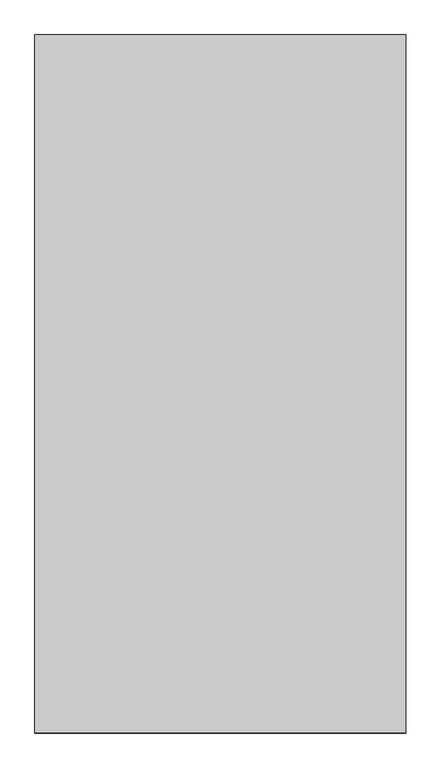
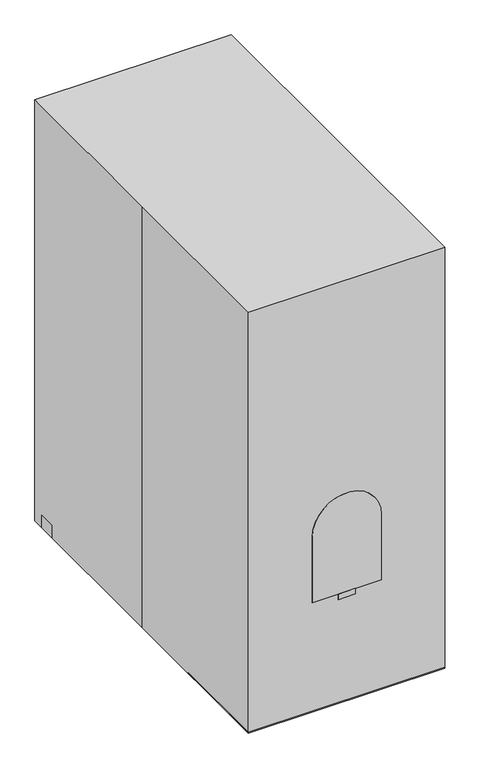
"""IFC4 building model written with IfcOpenShell, lengths in millimetres: proxy geometry."""

import ifcopenshell
import ifcopenshell.guid

model = None  # the IFC model being written
_history = None  # IfcOwnerHistory: only IFC2X3 demands one
_inside = {}  # id of a spatial element -> (the spatial element, [elements in it])
_under = {}  # id of a project, library or spatial element -> (it, [spatial elements below it])
_declared = {}  # id of a project -> (the project, [libraries it declares])
_typed = {}  # id of a type object -> (the type object, [elements of that type])
_made_of = {}  # id of a material, layer set ... -> (it, [elements and type objects made of it])


def new_model(schema):
    """Start an empty IFC model of exactly this schema.

    Asked for "IFC4X3", IfcOpenShell would pick the latest addendum, in which some entities
    have other attributes; the version numbers below select the first issue.
    IFC2X3 requires an IfcOwnerHistory on every rooted entity: one is made here for all.
    """
    global model, _history
    if schema == "IFC4X3":
        model = ifcopenshell.file(schema_version=(4, 3, 0, 0))
    else:
        model = ifcopenshell.file(schema=schema)
    _inside.clear()
    _under.clear()
    _declared.clear()
    _typed.clear()
    _made_of.clear()
    _history = None
    if model.schema == "IFC2X3":
        org = make("IfcOrganization", Name="unknown")
        user = make(
            "IfcPersonAndOrganization",
            ThePerson=make("IfcPerson", FamilyName="unknown"),
            TheOrganization=org,
        )
        app = make(
            "IfcApplication",
            ApplicationDeveloper=org,
            Version="unknown",
            ApplicationFullName="unknown",
            ApplicationIdentifier="unknown",
        )
        _history = make(
            "IfcOwnerHistory",
            OwningUser=user,
            OwningApplication=app,
            ChangeAction="ADDED",
            CreationDate=0,
        )
    return model


def make(cls, **values):
    """One entity of the class cls with the attributes given. An attribute that is None is left unset."""
    return model.create_entity(
        cls, **{name: value for name, value in values.items() if value is not None}
    )


def rooted(cls, **values):
    """An entity with a GlobalId (a new one), such as an element, a storey or a relation."""
    return make(cls, GlobalId=ifcopenshell.guid.new(), OwnerHistory=_history, **values)


def si_unit(unit_type, name, prefix=None):
    """IfcSIUnit, for example si_unit("LENGTHUNIT", "METRE", prefix="MILLI")."""
    return make("IfcSIUnit", UnitType=unit_type, Prefix=prefix, Name=name)


def assignment(units):
    """IfcUnitAssignment: the units of a project."""
    return None if units is None else make("IfcUnitAssignment", Units=units)


def point(xyz):
    """IfcCartesianPoint."""
    return None if xyz is None else make("IfcCartesianPoint", Coordinates=xyz)


def direction(xyz):
    """IfcDirection."""
    return None if xyz is None else make("IfcDirection", DirectionRatios=xyz)


def frame(location, z_axis=None, x_axis=None):
    """IfcAxis2Placement3D, a coordinate frame: its origin and axes. An axis left out is left unset."""
    return make(
        "IfcAxis2Placement3D",
        Location=point(location),
        Axis=direction(z_axis),
        RefDirection=direction(x_axis),
    )


def frame_2d(location, x_axis=None):
    """IfcAxis2Placement2D, a coordinate frame in the plane: its origin and x axis."""
    return make(
        "IfcAxis2Placement2D", Location=point(location), RefDirection=direction(x_axis)
    )


def origin():
    """The frame at (0, 0, 0) with its axes left unset."""
    return frame((0.0, 0.0, 0.0))


def origin_with_axes():
    """The frame at (0, 0, 0) with the z axis (0, 0, 1) and the x axis (1, 0, 0) written out."""
    return frame((0.0, 0.0, 0.0), z_axis=(0.0, 0.0, 1.0), x_axis=(1.0, 0.0, 0.0))


def place(relative_to, where):
    """IfcLocalPlacement: puts the frame where relative to a parent placement (None: the world)."""
    return make(
        "IfcLocalPlacement", PlacementRelTo=relative_to, RelativePlacement=where
    )


def context(
    kind, dimensions, precision=None, world=None, true_north=None, identifier=None
):
    """IfcGeometricRepresentationContext, for example the 3D "Model" context."""
    return make(
        "IfcGeometricRepresentationContext",
        ContextIdentifier=identifier,
        ContextType=kind,
        CoordinateSpaceDimension=dimensions,
        Precision=precision,
        WorldCoordinateSystem=world,
        TrueNorth=true_north,
    )


def project(units=None, contexts=None):
    """IfcProject with its units and contexts."""
    return rooted(
        "IfcProject",
        Name="project",
        RepresentationContexts=contexts,
        UnitsInContext=assignment(units),
    )


def spatial(cls, under=None, at=None, **own):
    """A site, building, storey or space (cls), placed at a placement, below another one or the project."""
    s = rooted(cls, ObjectPlacement=at, **own)
    if under is not None:
        _under.setdefault(under.id(), (under, []))[1].append(s)
    return s


def polyline(points):
    """IfcPolyline through the points."""
    return make("IfcPolyline", Points=[point(p) for p in points])


def circle_curve(where, radius):
    """IfcCircle in the frame where."""
    return make("IfcCircle", Position=where, Radius=radius)


def trimmed(basis, trim1, trim2, sense, master):
    """IfcTrimmedCurve: the piece of a basis curve between two trims."""
    return make(
        "IfcTrimmedCurve",
        BasisCurve=basis,
        Trim1=trim1,
        Trim2=trim2,
        SenseAgreement=sense,
        MasterRepresentation=master,
    )


def segment(curve, same_sense, transition):
    """IfcCompositeCurveSegment."""
    return make(
        "IfcCompositeCurveSegment",
        Transition=transition,
        SameSense=same_sense,
        ParentCurve=curve,
    )


def composite_curve(segments, self_intersect=None):
    """IfcCompositeCurve: segments joined end to end."""
    return make("IfcCompositeCurve", Segments=segments, SelfIntersect=self_intersect)


def outline(outer, holes=None, kind="AREA"):
    """IfcArbitraryClosedProfileDef: a profile drawn as a closed curve; with holes, ...WithVoids."""
    if holes is None:
        return make("IfcArbitraryClosedProfileDef", ProfileType=kind, OuterCurve=outer)
    return make(
        "IfcArbitraryProfileDefWithVoids",
        ProfileType=kind,
        OuterCurve=outer,
        InnerCurves=holes,
    )


def extrude(swept, where, along, depth):
    """IfcExtrudedAreaSolid: the profile swept, set in the frame where, extruded along a direction by depth."""
    return make(
        "IfcExtrudedAreaSolid",
        SweptArea=swept,
        Position=where,
        ExtrudedDirection=direction(along),
        Depth=depth,
    )


def faces_of(points, faces, orient=None, outer=None):
    """IfcFace entities. A face is a list of loops; a loop is a list of indices into points, from 0.

    orient and outer hold one flag for each loop. By default every Orientation is true, the
    first loop of a face is its IfcFaceOuterBound and the others are IfcFaceBound.
    """
    made = []
    for i, loops in enumerate(faces):
        bounds = []
        for j, loop in enumerate(loops):
            is_outer = j == 0 if outer is None else outer[i][j]
            bounds.append(
                make(
                    "IfcFaceOuterBound" if is_outer else "IfcFaceBound",
                    Bound=make("IfcPolyLoop", Polygon=[points[k] for k in loop]),
                    Orientation=True if orient is None else orient[i][j],
                )
            )
        made.append(make("IfcFace", Bounds=bounds))
    return made


def faceted_brep(points, faces, orient=None, outer=None, voids=None):
    """IfcFacetedBrep: a solid bounded by flat faces; with voids (closed shells), ...WithVoids."""
    shared = [point(p) for p in points]
    hull = make("IfcClosedShell", CfsFaces=faces_of(shared, faces, orient, outer))
    if voids is None:
        return make("IfcFacetedBrep", Outer=hull)
    return make(
        "IfcFacetedBrepWithVoids",
        Outer=hull,
        Voids=[
            make(cls, CfsFaces=faces_of(shared, fs, o, b)) for cls, fs, o, b in voids
        ],
    )


def shape(context_of_items, identifier, shape_type, items):
    """IfcShapeRepresentation: the items that make up one representation, for example the "Body"."""
    return make(
        "IfcShapeRepresentation",
        ContextOfItems=context_of_items,
        RepresentationIdentifier=identifier,
        RepresentationType=shape_type,
        Items=items,
    )


def source(mapping_origin, context_of_items, identifier, shape_type, items):
    """IfcRepresentationMap: a shape defined once, which mapped items show again and again."""
    return make(
        "IfcRepresentationMap",
        MappingOrigin=mapping_origin,
        MappedRepresentation=shape(context_of_items, identifier, shape_type, items),
    )


def transform(
    local_origin,
    x_axis=None,
    y_axis=None,
    z_axis=None,
    scale=None,
    scale2=None,
    scale3=None,
    uniform=True,
):
    """IfcCartesianTransformationOperator3D, or its non-uniform kind. x_axis, y_axis, z_axis: its Axis1, 2, 3."""
    if uniform:
        return make(
            "IfcCartesianTransformationOperator3D",
            Axis1=direction(x_axis),
            Axis2=direction(y_axis),
            LocalOrigin=point(local_origin),
            Scale=scale,
            Axis3=direction(z_axis),
        )
    return make(
        "IfcCartesianTransformationOperator3DnonUniform",
        Axis1=direction(x_axis),
        Axis2=direction(y_axis),
        LocalOrigin=point(local_origin),
        Scale=scale,
        Axis3=direction(z_axis),
        Scale2=scale2,
        Scale3=scale3,
    )


def mapped(mapping_source, mapping_target):
    """IfcMappedItem: shows the shape of a source again, moved by a transform."""
    return make(
        "IfcMappedItem", MappingSource=mapping_source, MappingTarget=mapping_target
    )


def made_of(thing, what):
    """Note that an element or type object is made of a material, layer set ...; save() writes the relation."""
    if what is not None:
        _made_of.setdefault(what.id(), (what, []))[1].append(thing)
    return thing


def element(
    cls,
    number,
    at=None,
    inside=None,
    cuts=None,
    type_object=None,
    material=None,
    context=None,
    identifier="Body",
    shape_type=None,
    held_by="IfcProductDefinitionShape",
    body=None,
    shapes=None,
    **own,
):
    """One element of the class cls, such as IfcWall. Its Tag is "e" and its number.

    at: its placement. inside: the storey or other place that contains it. cuts: it is an
    opening in that element (IfcRelVoidsElement). A single representation is given by context,
    identifier, shape_type and body (its items); several are given by shapes. held_by: the class
    of the entity that holds the representations. save() writes the other relations.
    """
    e = rooted(cls, Tag="e%d" % number, ObjectPlacement=at, **own)
    if body is not None:
        shapes = [shape(context, identifier, shape_type, body)]
    if shapes is not None:
        e.Representation = make(held_by, Representations=shapes)
    if inside is not None:
        _inside.setdefault(inside.id(), (inside, []))[1].append(e)
    if cuts is not None:
        rooted(
            "IfcRelVoidsElement", RelatingBuildingElement=cuts, RelatedOpeningElement=e
        )
    if type_object is not None:
        _typed.setdefault(type_object.id(), (type_object, []))[1].append(e)
    return made_of(e, material)


def aggregate(whole, parts):
    """IfcRelAggregates: a whole, such as a stair, and the parts it consists of."""
    return rooted("IfcRelAggregates", RelatingObject=whole, RelatedObjects=parts)


def save(model, path):
    """Write the relations noted so far, then the file.

    IfcRelAggregates (storeys below a building ...), IfcRelContainedInSpatialStructure (elements
    in a storey), IfcRelDefinesByType, IfcRelAssociatesMaterial and IfcRelDeclares: one each for
    every whole, place, type object, material and project.
    """
    for whole, parts in _under.values():
        aggregate(whole, parts)
    for where, things in _inside.values():
        rooted(
            "IfcRelContainedInSpatialStructure",
            RelatedElements=things,
            RelatingStructure=where,
        )
    for kind, things in _typed.values():
        rooted("IfcRelDefinesByType", RelatedObjects=things, RelatingType=kind)
    for what, things in _made_of.values():
        rooted("IfcRelAssociatesMaterial", RelatedObjects=things, RelatingMaterial=what)
    for by, libraries in _declared.values():
        rooted("IfcRelDeclares", RelatingContext=by, RelatedDefinitions=libraries)
    model.write(path)


def plane_surface(at):
    """IfcPlane: the flat surface through the origin of the frame at, square to its z axis."""
    return make("IfcPlane", Position=at)


def cylinder_surface(at, radius):
    """IfcCylindricalSurface: all points at the distance radius from the z axis of the frame at."""
    return make("IfcCylindricalSurface", Position=at, Radius=radius)


def revolved_surface(curve, axis_point, axis_direction):
    """IfcSurfaceOfRevolution: the curve turned about the line through axis_point along axis_direction."""
    return make(
        "IfcSurfaceOfRevolution",
        SweptCurve=make("IfcArbitraryOpenProfileDef", ProfileType="CURVE", Curve=curve),
        AxisPosition=make("IfcAxis1Placement", Location=point(axis_point), Axis=direction(axis_direction)),
    )


def advanced_brep(points, edges, surfaces, faces):
    """IfcAdvancedBrep: a solid bounded by faces that lie on surfaces and meet in shared edges.

    An edge is (start, end): straight between two places in points (the first is 0);
    or (start, end, curve); or (start, end, curve, False) where it runs against its curve.
    A face is (place in surfaces, loops), or (place, loops, False) where it looks against
    its surface's normal. A loop lists edges by number (the first is 1), with a minus sign
    where the edge is run from its end to its start. The first loop is the outer one.
    """
    corners = [point(p) for p in points]
    vertices = [make("IfcVertexPoint", VertexGeometry=c) for c in corners]
    made = []
    for start, end, *more in edges:
        made.append(
            make(
                "IfcEdgeCurve",
                EdgeStart=vertices[start],
                EdgeEnd=vertices[end],
                EdgeGeometry=more[0] if more else make("IfcPolyline", Points=[corners[start], corners[end]]),
                SameSense=more[1] if len(more) > 1 else True,
            )
        )
    hull = []
    for where, loops, *sense in faces:
        bounds = []
        for j, loop in enumerate(loops):
            ring = [make("IfcOrientedEdge", EdgeElement=made[abs(k) - 1], Orientation=k > 0) for k in loop]
            bounds.append(
                make(
                    "IfcFaceOuterBound" if j == 0 else "IfcFaceBound",
                    Bound=make("IfcEdgeLoop", EdgeList=ring),
                    Orientation=True,
                )
            )
        hull.append(make("IfcAdvancedFace", Bounds=bounds, FaceSurface=surfaces[where], SameSense=sense[0] if sense else True))
    return make("IfcAdvancedBrep", Outer=make("IfcClosedShell", CfsFaces=hull))


def specialty_equipment_9e477837(model_context):
    return source(origin(), model_context, "Body", "SolidModel", [
        faceted_brep([(-152.4, -762.0, 457.2), (152.4, -762.0, 457.2), (152.4, -762.0, 508.0), (38.1, -762.0, 508.0), (38.1, -762.0, 482.6226424), (-38.1, -762.0, 482.6226424), (-38.1, -762.0, 508.0), (-152.4, -762.0, 508.0), (-152.4, -457.2, 457.2), (-152.4, -457.2, 508.0), (152.4, -457.2, 508.0), (152.4, -457.2, 457.2), (-38.1, -812.8, 508.0), (38.1, -812.8, 508.0), (-38.1, -812.8, 482.6226424), (38.1, -812.8, 482.6226424)], [[[0, 1, 2, 3, 4, 5, 6, 7]], [[8, 9, 10, 11]], [[1, 0, 8, 11]], [[2, 1, 11, 10]], [[10, 9, 7, 6, 12, 13, 3, 2]], [[0, 7, 9, 8]], [[14, 5, 4, 15]], [[13, 12, 14, 15]], [[3, 13, 15, 4]], [[12, 6, 5, 14]]]),
        advanced_brep(
        [(-76.2, 42.1480335, 1174.2765056), (-76.2, 59.4642449, 1191.592717), (-76.2, 212.6832937, 1038.3736683), (-76.2, 195.3670823, 1021.0574568), (-76.2, 46.8398769, 1180.5508736), (-76.2, 59.5398769, 1180.5508736), (-76.2, 207.9914503, 1032.0993003), (-76.2, 195.2914503, 1032.0993003), (-63.5, 42.1480335, 1174.2765056), (-63.5, 195.3670823, 1021.0574568), (-63.5, 212.6832937, 1038.3736683), (-63.5, 59.4642449, 1191.592717), (-63.5, 46.8398769, 1180.5508736), (-63.5, 59.5398769, 1180.5508736), (-165.1, 207.9914503, 1032.0993003), (-165.1, 195.2914503, 1032.0993003)],
        [
            (0, 1, circle_curve(frame((-76.2, 53.1898769, 1180.5508736), z_axis=(-1.0, 0.0, 0.0), x_axis=(0.0, 1.0, 0.0)), 12.7)),
            (1, 2),
            (2, 3, circle_curve(frame((-76.2, 201.6414503, 1032.0993003), z_axis=(-1.0, 0.0, 0.0), x_axis=(0.0, 1.0, 0.0)), 12.7)),
            (3, 0),
            (4, 5, circle_curve(frame((-76.2, 53.1898769, 1180.5508736), z_axis=(1.0, 0.0, 0.0), x_axis=(0.0, 1.0, 0.0)), 6.35)),
            (5, 4, circle_curve(frame((-76.2, 53.1898769, 1180.5508736), z_axis=(1.0, 0.0, 0.0), x_axis=(0.0, 1.0, 0.0)), 6.35)),
            (6, 7, circle_curve(frame((-76.2, 201.6414503, 1032.0993003), z_axis=(1.0, 0.0, 0.0), x_axis=(0.0, 1.0, 0.0)), 6.35)),
            (7, 6, circle_curve(frame((-76.2, 201.6414503, 1032.0993003), z_axis=(1.0, 0.0, 0.0), x_axis=(0.0, 1.0, 0.0)), 6.35)),
            (8, 9),
            (9, 10, circle_curve(frame((-63.5, 201.6414503, 1032.0993003), z_axis=(1.0, 0.0, 0.0), x_axis=(0.0, 1.0, 0.0)), 12.7)),
            (10, 11),
            (11, 8, circle_curve(frame((-63.5, 53.1898769, 1180.5508736), z_axis=(1.0, 0.0, 0.0), x_axis=(0.0, 1.0, 0.0)), 12.7)),
            (12, 13, circle_curve(frame((-63.5, 53.1898769, 1180.5508736), z_axis=(-1.0, 0.0, 0.0), x_axis=(0.0, 1.0, 0.0)), 6.35)),
            (13, 12, circle_curve(frame((-63.5, 53.1898769, 1180.5508736), z_axis=(-1.0, 0.0, 0.0), x_axis=(0.0, 1.0, 0.0)), 6.35)),
            (3, 9),
            (8, 0),
            (2, 10),
            (1, 11),
            (5, 13),
            (12, 4),
            (14, 15, circle_curve(frame((-165.1, 201.6414503, 1032.0993003), z_axis=(-1.0, 0.0, 0.0), x_axis=(0.0, 1.0, 0.0)), 6.35)),
            (15, 14, circle_curve(frame((-165.1, 201.6414503, 1032.0993003), z_axis=(-1.0, 0.0, 0.0), x_axis=(0.0, 1.0, 0.0)), 6.35)),
            (15, 7),
            (6, 14),
        ],
        [
            plane_surface(frame((-76.2, 65.8898769, 1180.5508736), z_axis=(-1.0, 0.0, 0.0), x_axis=(0.0, 0.0, -1.0))),
            plane_surface(frame((-63.5, 65.8898769, 1180.5508736), z_axis=(1.0, 0.0, 0.0), x_axis=(0.0, 0.0, 1.0))),
            plane_surface(frame((-76.2, 195.3670823, 1021.0574568), z_axis=(0.0, -0.7071067811865492, -0.7071067811865458), x_axis=(1.0, 0.0, 0.0))),
            cylinder_surface(frame((-63.5, 201.6414503, 1032.0993003), z_axis=(-1.0, 0.0, 0.0), x_axis=(0.0, 1.0, 0.0)), 12.7),
            plane_surface(frame((-76.2, 59.4642449, 1191.592717), z_axis=(0.0, 0.7071067811865492, 0.7071067811865458), x_axis=(1.0, 0.0, 0.0))),
            cylinder_surface(frame((-63.5, 53.1898769, 1180.5508736), z_axis=(-1.0, 0.0, 0.0), x_axis=(0.0, 1.0, 0.0)), 12.7),
            revolved_surface(polyline([(-63.5, 59.5398769, 1180.5508736), (-76.2, 59.5398769, 1180.5508736)]), (0.0, 53.1898769, 1180.5508736), (1.0, 0.0, 0.0)),
            plane_surface(frame((-165.1, 207.9914503, 1032.0993003), z_axis=(-1.0, 0.0, 0.0), x_axis=(0.0, 0.0, -1.0))),
            cylinder_surface(frame((-63.5, 201.6414503, 1032.0993003), z_axis=(-1.0, 0.0, 0.0), x_axis=(0.0, 1.0, 0.0)), 6.35),
        ],
        [
            (0, [[1, 2, 3, 4], [5, 6], [7, 8]]),
            (1, [[9, 10, 11, 12], [13, 14]]),
            (2, [[-4, 15, -9, 16]]),
            (3, [[-3, 17, -10, -15]]),
            (4, [[-2, 18, -11, -17]]),
            (5, [[-1, -16, -12, -18]]),
            (6, [[-6, 19, -13, 20]]),
            (6, [[-5, -20, -14, -19]]),
            (7, [[21, 22]]),
            (8, [[-22, 23, -7, 24]]),
            (8, [[-21, -24, -8, -23]]),
        ],
    ),
        advanced_brep(
        [(165.1, 207.9914503, 1032.0993003), (165.1, 195.2914503, 1032.0993003), (63.5, 42.1480335, 1174.2765056), (63.5, 59.4642449, 1191.592717), (63.5, 212.6832937, 1038.3736683), (63.5, 195.3670823, 1021.0574568), (63.5, 46.8398769, 1180.5508736), (63.5, 59.5398769, 1180.5508736), (76.2, 207.9914503, 1032.0993003), (76.2, 195.2914503, 1032.0993003), (76.2, 42.1480335, 1174.2765056), (76.2, 195.3670823, 1021.0574568), (76.2, 212.6832937, 1038.3736683), (76.2, 59.4642449, 1191.592717), (76.2, 46.8398769, 1180.5508736), (76.2, 59.5398769, 1180.5508736)],
        [
            (0, 1, circle_curve(frame((165.1, 201.6414503, 1032.0993003), z_axis=(1.0, 0.0, 0.0), x_axis=(0.0, 1.0, 0.0)), 6.35)),
            (1, 0, circle_curve(frame((165.1, 201.6414503, 1032.0993003), z_axis=(1.0, 0.0, 0.0), x_axis=(0.0, 1.0, 0.0)), 6.35)),
            (2, 3, circle_curve(frame((63.5, 53.1898769, 1180.5508736), z_axis=(-1.0, 0.0, 0.0), x_axis=(0.0, 1.0, 0.0)), 12.7)),
            (3, 4),
            (4, 5, circle_curve(frame((63.5, 201.6414503, 1032.0993003), z_axis=(-1.0, 0.0, 0.0), x_axis=(0.0, 1.0, 0.0)), 12.7)),
            (5, 2),
            (6, 7, circle_curve(frame((63.5, 53.1898769, 1180.5508736), z_axis=(1.0, 0.0, 0.0), x_axis=(0.0, 1.0, 0.0)), 6.35)),
            (7, 6, circle_curve(frame((63.5, 53.1898769, 1180.5508736), z_axis=(1.0, 0.0, 0.0), x_axis=(0.0, 1.0, 0.0)), 6.35)),
            (0, 8),
            (8, 9, circle_curve(frame((76.2, 201.6414503, 1032.0993003), z_axis=(1.0, 0.0, 0.0), x_axis=(0.0, 1.0, 0.0)), 6.35)),
            (9, 1),
            (9, 8, circle_curve(frame((76.2, 201.6414503, 1032.0993003), z_axis=(1.0, 0.0, 0.0), x_axis=(0.0, 1.0, 0.0)), 6.35)),
            (10, 11),
            (11, 12, circle_curve(frame((76.2, 201.6414503, 1032.0993003), z_axis=(1.0, 0.0, 0.0), x_axis=(0.0, 1.0, 0.0)), 12.7)),
            (12, 13),
            (13, 10, circle_curve(frame((76.2, 53.1898769, 1180.5508736), z_axis=(1.0, 0.0, 0.0), x_axis=(0.0, 1.0, 0.0)), 12.7)),
            (14, 15, circle_curve(frame((76.2, 53.1898769, 1180.5508736), z_axis=(-1.0, 0.0, 0.0), x_axis=(0.0, 1.0, 0.0)), 6.35)),
            (15, 14, circle_curve(frame((76.2, 53.1898769, 1180.5508736), z_axis=(-1.0, 0.0, 0.0), x_axis=(0.0, 1.0, 0.0)), 6.35)),
            (10, 2),
            (5, 11),
            (4, 12),
            (3, 13),
            (14, 6),
            (7, 15),
        ],
        [
            plane_surface(frame((165.1, 207.9914503, 1032.0993003), z_axis=(1.0, 0.0, 0.0), x_axis=(0.0, 0.0, 1.0))),
            plane_surface(frame((63.5, 207.9914503, 1032.0993003), z_axis=(-1.0, 0.0, 0.0), x_axis=(0.0, 0.0, -1.0))),
            cylinder_surface(frame((63.5, 201.6414503, 1032.0993003), z_axis=(1.0, 0.0, 0.0), x_axis=(0.0, 1.0, 0.0)), 6.35),
            plane_surface(frame((76.2, 51.6829843, 1164.7415548), z_axis=(1.0, 0.0, 0.0), x_axis=(0.0, 0.7071067811865458, -0.7071067811865492))),
            plane_surface(frame((76.2, 42.1480335, 1174.2765056), z_axis=(0.0, -0.7071067811865492, -0.7071067811865458), x_axis=(-1.0, 0.0, 0.0))),
            cylinder_surface(frame((63.5, 201.6414503, 1032.0993003), z_axis=(1.0, 0.0, 0.0), x_axis=(0.0, 1.0, 0.0)), 12.7),
            plane_surface(frame((76.2, 212.6832937, 1038.3736683), z_axis=(0.0, 0.7071067811865492, 0.7071067811865458), x_axis=(-1.0, 0.0, 0.0))),
            cylinder_surface(frame((63.5, 53.1898769, 1180.5508736), z_axis=(1.0, 0.0, 0.0), x_axis=(0.0, 1.0, 0.0)), 12.7),
            revolved_surface(polyline([(63.5, 59.5398769, 1180.5508736), (76.2, 59.5398769, 1180.5508736)]), (0.0, 53.1898769, 1180.5508736), (-1.0, 0.0, 0.0)),
        ],
        [
            (0, [[1, 2]]),
            (1, [[3, 4, 5, 6], [7, 8]]),
            (2, [[-1, 9, 10, 11]]),
            (2, [[-2, -11, 12, -9]]),
            (3, [[13, 14, 15, 16], [-10, -12], [17, 18]]),
            (4, [[-13, 19, -6, 20]]),
            (5, [[-14, -20, -5, 21]]),
            (6, [[-15, -21, -4, 22]]),
            (7, [[-16, -22, -3, -19]]),
            (8, [[-17, 23, -8, 24]]),
            (8, [[-18, -24, -7, -23]]),
        ],
    ),
        advanced_brep(
        [(50.8, 0.0, 1270.0), (50.8, 0.0, 1066.8), (50.8, 475.1958334, 1117.6), (50.8, 406.4, 1270.0), (50.8, 487.68, 1432.56), (50.8, 468.63, 1426.21), (50.8, 196.9503327, 1426.21), (50.8, 171.5503327, 1400.81), (50.8, 171.5503327, 1327.1834442), (50.8, 59.5398769, 1180.5508736), (50.8, 46.8398769, 1180.5508736), (-50.8, 475.1958334, 1117.6), (-50.8, 0.0, 1066.8), (-50.8, 0.0, 1270.0), (-50.8, 171.5503327, 1327.1834442), (-50.8, 171.5503327, 1400.81), (-50.8, 196.9503327, 1426.21), (-50.8, 468.63, 1426.21), (-50.8, 487.68, 1432.56), (-50.8, 406.4, 1270.0), (-50.8, 46.8398769, 1180.5508736), (-50.8, 59.5398769, 1180.5508736), (76.2, 406.4, 1270.0), (76.2, 812.8, 1270.0), (-76.2, 406.4, 1270.0), (-76.2, 812.8, 1270.0), (63.5, 486.8027128, 1108.1016793), (63.5, 541.769184, 1078.455696), (-63.5, 541.769184, 1078.455696), (-63.5, 486.8027128, 1108.1016793), (63.5, 634.9505562, 53.975), (63.5, 685.7505562, 53.975), (-63.5, 685.7505562, 53.975), (-63.5, 634.9505562, 53.975), (76.2, 46.8398769, 1180.5508736), (76.2, 59.5398769, 1180.5508736), (-76.2, 46.8398769, 1180.5508736), (-76.2, 59.5398769, 1180.5508736)],
        [
            (0, 1, circle_curve(frame((50.8, 33.8666667, 1168.4), z_axis=(1.0, 0.0, 0.0), x_axis=(0.0, 1.0, 0.0)), 107.0958034)),
            (1, 2),
            (2, 3, circle_curve(frame((50.8, 609.6, 1270.0), z_axis=(-1.0, 0.0, 0.0), x_axis=(0.0, 1.0, 0.0)), 203.2)),
            (3, 4, circle_curve(frame((50.8, 609.6, 1270.0), z_axis=(-1.0, 0.0, 0.0), x_axis=(0.0, 1.0, 0.0)), 203.2)),
            (4, 5),
            (5, 6),
            (6, 7, circle_curve(frame((50.8, 196.9503327, 1400.81), z_axis=(1.0, 0.0, 0.0), x_axis=(0.0, 1.0, 0.0)), 25.4)),
            (7, 8),
            (8, 0),
            (9, 10, circle_curve(frame((50.8, 53.1898769, 1180.5508736), z_axis=(-1.0, 0.0, 0.0), x_axis=(0.0, 1.0, 0.0)), 6.35)),
            (10, 9, circle_curve(frame((50.8, 53.1898769, 1180.5508736), z_axis=(-1.0, 0.0, 0.0), x_axis=(0.0, 1.0, 0.0)), 6.35)),
            (11, 12),
            (12, 13, circle_curve(frame((-50.8, 33.8666667, 1168.4), z_axis=(-1.0, 0.0, 0.0), x_axis=(0.0, 1.0, 0.0)), 107.0958034)),
            (13, 14),
            (14, 15),
            (15, 16, circle_curve(frame((-50.8, 196.9503327, 1400.81), z_axis=(-1.0, 0.0, 0.0), x_axis=(0.0, 1.0, 0.0)), 25.4)),
            (16, 17),
            (17, 18),
            (18, 19, circle_curve(frame((-50.8, 609.6, 1270.0), z_axis=(1.0, 0.0, 0.0), x_axis=(0.0, 1.0, 0.0)), 203.2)),
            (19, 11, circle_curve(frame((-50.8, 609.6, 1270.0), z_axis=(1.0, 0.0, 0.0), x_axis=(0.0, 1.0, 0.0)), 203.2)),
            (20, 21, circle_curve(frame((-50.8, 53.1898769, 1180.5508736), z_axis=(1.0, 0.0, 0.0), x_axis=(0.0, 1.0, 0.0)), 6.35)),
            (21, 20, circle_curve(frame((-50.8, 53.1898769, 1180.5508736), z_axis=(1.0, 0.0, 0.0), x_axis=(0.0, 1.0, 0.0)), 6.35)),
            (13, 0),
            (8, 14),
            (4, 18),
            (17, 5),
            (12, 1),
            (11, 2),
            (22, 23, circle_curve(frame((76.2, 609.6, 1270.0), z_axis=(1.0, 0.0, 0.0), x_axis=(0.0, 1.0, 0.0)), 203.2)),
            (23, 22, circle_curve(frame((76.2, 609.6, 1270.0), z_axis=(1.0, 0.0, 0.0), x_axis=(0.0, 1.0, 0.0)), 203.2)),
            (24, 25, circle_curve(frame((-76.2, 609.6, 1270.0), z_axis=(-1.0, 0.0, 0.0), x_axis=(0.0, 1.0, 0.0)), 203.2)),
            (25, 24, circle_curve(frame((-76.2, 609.6, 1270.0), z_axis=(-1.0, 0.0, 0.0), x_axis=(0.0, 1.0, 0.0)), 203.2)),
            (22, 3),
            (19, 24),
            (25, 23),
            (26, 27, circle_curve(frame((63.5, 609.6, 1270.0), z_axis=(1.0, 0.0, 0.0), x_axis=(0.0, 1.0, 0.0)), 203.2)),
            (27, 28),
            (28, 29, circle_curve(frame((-63.5, 609.6, 1270.0), z_axis=(-1.0, 0.0, 0.0), x_axis=(0.0, 1.0, 0.0)), 203.2)),
            (29, 26),
            (7, 15),
            (16, 6),
            (30, 31),
            (31, 27),
            (26, 30),
            (32, 33),
            (33, 29),
            (28, 32),
            (33, 30),
            (32, 31),
            (34, 35, circle_curve(frame((76.2, 53.1898769, 1180.5508736), z_axis=(1.0, 0.0, 0.0), x_axis=(0.0, 1.0, 0.0)), 6.35)),
            (35, 34, circle_curve(frame((76.2, 53.1898769, 1180.5508736), z_axis=(1.0, 0.0, 0.0), x_axis=(0.0, 1.0, 0.0)), 6.35)),
            (34, 10),
            (9, 35),
            (36, 37, circle_curve(frame((-76.2, 53.1898769, 1180.5508736), z_axis=(-1.0, 0.0, 0.0), x_axis=(0.0, 1.0, 0.0)), 6.35)),
            (37, 36, circle_curve(frame((-76.2, 53.1898769, 1180.5508736), z_axis=(-1.0, 0.0, 0.0), x_axis=(0.0, 1.0, 0.0)), 6.35)),
            (37, 21),
            (20, 36),
        ],
        [
            plane_surface(frame((50.8, 812.8, 1270.0), z_axis=(1.0, 0.0, 0.0), x_axis=(0.0, 0.0, -1.0))),
            plane_surface(frame((-50.8, 812.8, 1270.0), z_axis=(-1.0, 0.0, 0.0), x_axis=(0.0, 0.0, 1.0))),
            plane_surface(frame((50.8, 487.68, 1432.56), z_axis=(0.0, -0.3162277660168353, 0.9486832980505148), x_axis=(-1.0, 0.0, 0.0))),
            cylinder_surface(frame((-50.8, 33.8666667, 1168.4), z_axis=(1.0, 0.0, 0.0), x_axis=(0.0, 1.0, 0.0)), 107.0958034),
            plane_surface(frame((50.8, 0.0, 1066.8), z_axis=(0.0, 0.10629761849075979, -0.9943343584042507), x_axis=(-1.0, 0.0, 0.0))),
            plane_surface(frame((76.2, 812.8, 1270.0), z_axis=(1.0, 0.0, 0.0), x_axis=(0.0, 0.0, 1.0))),
            plane_surface(frame((-76.2, 812.8, 1270.0), z_axis=(-1.0, 0.0, 0.0), x_axis=(0.0, 0.0, -1.0))),
            cylinder_surface(frame((-76.2, 609.6, 1270.0), z_axis=(1.0, 0.0, 0.0), x_axis=(0.0, 1.0, 0.0)), 203.2),
            plane_surface(frame((50.8, 171.5503327, 1400.81), z_axis=(0.0, -1.0, 0.0), x_axis=(-1.0, 0.0, 0.0))),
            plane_surface(frame((50.8, 468.63, 1426.21), z_axis=(0.0, 0.0, 1.0), x_axis=(-1.0, 0.0, 0.0))),
            cylinder_surface(frame((-50.8, 196.9503327, 1400.81), z_axis=(1.0, 0.0, 0.0), x_axis=(0.0, 1.0, 0.0)), 25.4),
            plane_surface(frame((63.5, 536.2678109, 1117.6), z_axis=(1.0, 0.0, 0.0), x_axis=(0.0, -1.0, 0.0))),
            plane_surface(frame((-63.5, 536.2678109, 1117.6), z_axis=(-1.0, 0.0, 0.0), x_axis=(0.0, 1.0, 0.0))),
            plane_surface(frame((63.5, 485.4678109, 1117.6), z_axis=(0.0, -0.9902680687415706, -0.1391731009600634), x_axis=(-1.0, 0.0, 0.0))),
            plane_surface(frame((63.5, 634.9505562, 53.975), z_axis=(0.0, 0.0, -1.0), x_axis=(-1.0, 0.0, 0.0))),
            plane_surface(frame((63.5, 685.7505562, 53.975), z_axis=(0.0, 0.9902680687415706, 0.13917310096006333), x_axis=(-1.0, 0.0, 0.0))),
            plane_surface(frame((76.2, 59.5398769, 1180.5508736), z_axis=(1.0, 0.0, 0.0), x_axis=(0.0, 0.0, 1.0))),
            cylinder_surface(frame((50.8, 53.1898769, 1180.5508736), z_axis=(1.0, 0.0, 0.0), x_axis=(0.0, 1.0, 0.0)), 6.35),
            plane_surface(frame((-76.2, 59.5398769, 1180.5508736), z_axis=(-1.0, 0.0, 0.0), x_axis=(0.0, 0.0, -1.0))),
            cylinder_surface(frame((-50.8, 53.1898769, 1180.5508736), z_axis=(-1.0, 0.0, 0.0), x_axis=(0.0, 1.0, 0.0)), 6.35),
        ],
        [
            (0, [[1, 2, 3, 4, 5, 6, 7, 8, 9], [10, 11]]),
            (1, [[12, 13, 14, 15, 16, 17, 18, 19, 20], [21, 22]]),
            (2, [[23, -9, 24, -14]]),
            (2, [[25, -18, 26, -5]]),
            (3, [[-1, -23, -13, 27]]),
            (4, [[-2, -27, -12, 28]]),
            (5, [[29, 30]]),
            (6, [[31, 32]]),
            (7, [[-29, 33, -3, -28, -20, 34, -32, 35], [36, 37, 38, 39]]),
            (7, [[-30, -35, -31, -34, -19, -25, -4, -33]]),
            (8, [[-8, 40, -15, -24]]),
            (9, [[-6, -26, -17, 41]]),
            (10, [[-7, -41, -16, -40]]),
            (11, [[42, 43, -36, 44]]),
            (12, [[45, 46, -38, 47]]),
            (13, [[48, -44, -39, -46]]),
            (14, [[-42, -48, -45, 49]]),
            (15, [[-49, -47, -37, -43]]),
            (16, [[50, 51]]),
            (17, [[-50, 52, -10, 53]]),
            (17, [[-51, -53, -11, -52]]),
            (18, [[54, 55]]),
            (19, [[-55, 56, -21, 57]]),
            (19, [[-54, -57, -22, -56]]),
        ],
    ),
        extrude(outline(polyline([(431.8, 762.0), (431.8, 685.7505562), (-431.8, 685.7505562), (-431.8, 762.0), (431.8, 762.0)])), origin_with_axes(), (0.0, 0.0, 1.0), 57.15),
        extrude(outline(composite_curve([segment(polyline([(812.8, -152.4), (508.0, -152.4), (508.0, 152.4), (812.8, 152.4)]), True, "CONTINUOUS"), segment(trimmed(circle_curve(frame_2d((812.8, 0.0)), 152.4), [point((812.8, 152.4))], [point((812.8, -152.4))], False, "CARTESIAN"), True, "CONTINUOUS")], self_intersect=False)), frame((0.0, -812.8, 0.0), z_axis=(0.0, 1.0, 0.0), x_axis=(0.0, 0.0, 1.0)), (0.0, 0.0, 1.0), 50.8),
        extrude(outline(polyline([(-555.0633542, 60.325), (-612.775, 60.325), (-668.5521438, 457.2), (-610.840498, 457.2), (-555.0633542, 60.325)])), frame((-38.1, 0.0, 0.0), z_axis=(1.0, 0.0, 0.0), x_axis=(0.0, 1.0, 0.0)), (0.0, 0.0, 1.0), 76.2),
        extrude(outline(polyline([(3.175, -69.85), (3.175, -63.5), (53.975, -63.5), (53.975, 63.5), (3.175, 63.5), (3.175, 69.85), (60.325, 69.85), (60.325, -69.85), (3.175, -69.85)])), frame((0.0, -660.4, 0.0), z_axis=(0.0, 1.0, 0.0), x_axis=(0.0, 0.0, 1.0)), (0.0, 0.0, 1.0), 152.4),
        extrude(outline(polyline([(431.8, -812.8), (-431.8, -812.8), (-431.8, -355.6), (431.8, -355.6), (431.8, -812.8)])), origin_with_axes(), (0.0, 0.0, 1.0), 3.175),
        extrude(outline(polyline([(63.5, 685.7505562), (63.5, -584.2), (-63.5, -584.2), (-63.5, 685.7505562), (63.5, 685.7505562)])), frame((0.0, 0.0, 3.175), z_axis=(0.0, 0.0, 1.0), x_axis=(1.0, 0.0, 0.0)), (0.0, 0.0, 1.0), 50.8),
        extrude(outline(polyline([(-431.8, 812.8), (431.8, 812.8), (431.8, -812.8), (-431.8, -812.8), (-431.8, 0.0), (-431.8, 812.8)])), origin_with_axes(), (0.0, 0.0, 1.0), 1955.8),
    ])


if __name__ == "__main__":
    model = new_model("IFC4")
    model_context = context("Model", 3, world=origin())
    ifc_project = project(units=[si_unit("LENGTHUNIT", "METRE", prefix="MILLI")], contexts=[model_context])
    site = spatial("IfcSite", under=ifc_project)
    building = spatial("IfcBuilding", under=site)
    placement = place(None, origin())
    specialty_equipment_shape = specialty_equipment_9e477837(model_context)
    element("IfcBuildingElementProxy", 1, Name="Specialty Equipment", at=placement, inside=building, context=model_context, shape_type="MappedRepresentation", body=[
        mapped(specialty_equipment_shape, transform((0.0, 0.0, 0.0), x_axis=(1.0, 0.0, 0.0), y_axis=(0.0, 1.0, 0.0), z_axis=(0.0, 0.0, 1.0))),
    ])
    save(model, "model.ifc")
